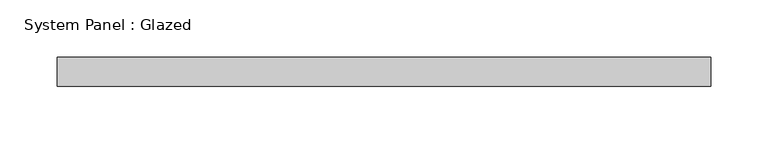
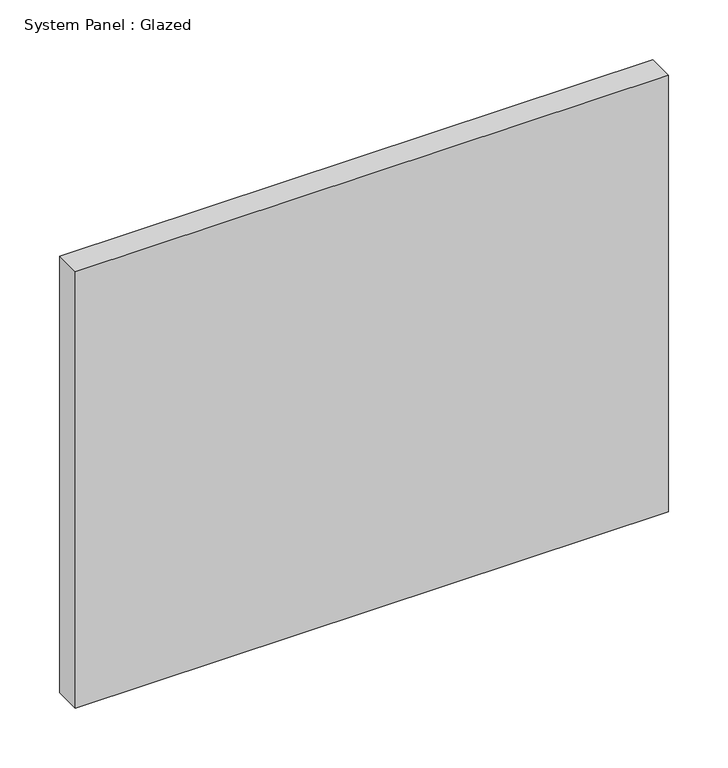
"""IFC4 building model written with IfcOpenShell, lengths in millimetres: plate geometry, System Panel : Glazed."""

from ifc_helpers import new_model, si_unit, origin, origin_with_axes, place, context, project, spatial, polyline, outline, extrude, source, transform, mapped, element, save


def system_panel_glazed_9193e5e8(model_context):
    return source(origin(), model_context, "Body", "SweptSolid", [
        extrude(outline(polyline([(285.75, -12.7), (-285.75, -12.7), (-285.75, 12.7), (285.75, 12.7), (285.75, -12.7)])), origin_with_axes(), (0.0, 0.0, 1.0), 444.5),
    ])


if __name__ == "__main__":
    model = new_model("IFC4")
    model_context = context("Model", 3, world=origin())
    ifc_project = project(units=[si_unit("LENGTHUNIT", "METRE", prefix="MILLI")], contexts=[model_context])
    site = spatial("IfcSite", under=ifc_project)
    building = spatial("IfcBuilding", under=site)
    placement = place(None, origin())
    system_panel_glazed_shape = system_panel_glazed_9193e5e8(model_context)
    element("IfcPlate", 1, ObjectType="System Panel : Glazed", at=placement, inside=building, context=model_context, shape_type="MappedRepresentation", body=[
        mapped(system_panel_glazed_shape, transform((0.0, 0.0, 0.0), x_axis=(1.0, 0.0, 0.0), y_axis=(0.0, 1.0, 0.0), z_axis=(0.0, 0.0, 1.0))),
    ])
    save(model, "model.ifc")
